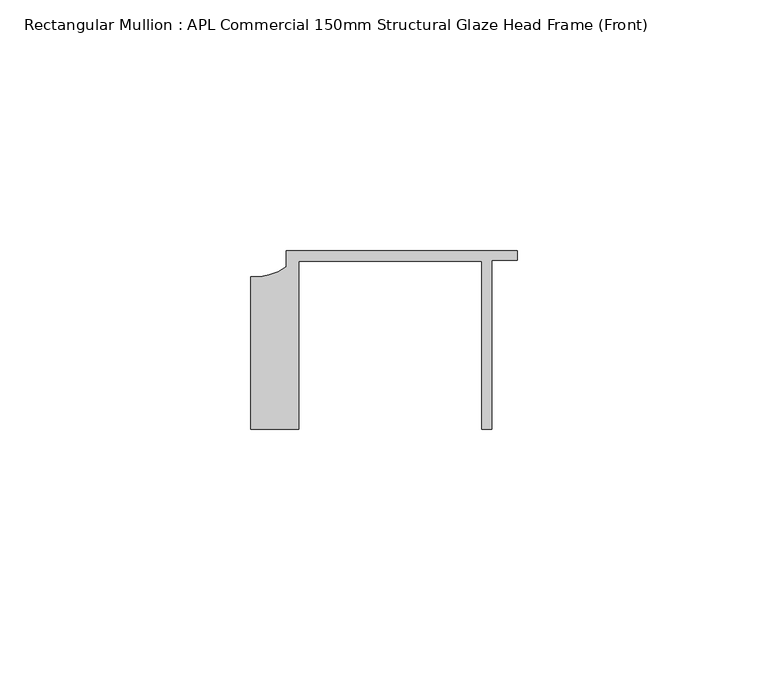
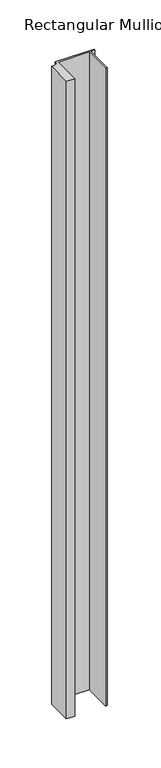
"""IFC4 building model written with IfcOpenShell, lengths in millimetres: member geometry, Rectangular Mullion : APL Commercial 150mm Structural Glaze Head Frame (Front)."""

from ifc_helpers import new_model, si_unit, point, frame, frame_2d, origin, place, context, project, spatial, polyline, circle_curve, trimmed, segment, composite_curve, outline, extrude, source, transform, mapped, element, save


def rectangular_mullion_apl_commercial_150mm_structural_glaze_b4d50108(model_context):
    return source(origin(), model_context, "Body", "SweptSolid", [
        extrude(outline(composite_curve([segment(polyline([(-52.9999542, -15.0), (-52.9999542, 15.3798304)]), True, "CONTINUOUS"), segment(trimmed(circle_curve(frame_2d((-52.109817, 25.7982641)), 10.4563907), [point((-52.9999542, 15.3798304))], [point((-45.9999994, 17.3126154))], True, "CARTESIAN"), True, "CONTINUOUS"), segment(polyline([(-45.9999994, 17.3126154), (-45.9999994, 20.5002486), (0.0, 20.5002486), (0.0, 18.7002486), (-5.0, 18.7002486), (-5.0, -15.0), (-7.0, -15.0), (-7.0, 18.5002486), (-43.5000151, 18.5002486), (-43.5000151, -15.0), (-52.9999542, -15.0)]), True, "CONTINUOUS")], self_intersect=False)), frame((0.0, 0.0, -793.4600666), z_axis=(0.0, 0.0, 1.0), x_axis=(1.0, 0.0, 0.0)), (0.0, 0.0, 1.0), 793.4600666),
    ])


if __name__ == "__main__":
    model = new_model("IFC4")
    model_context = context("Model", 3, world=origin())
    ifc_project = project(units=[si_unit("LENGTHUNIT", "METRE", prefix="MILLI")], contexts=[model_context])
    site = spatial("IfcSite", under=ifc_project)
    building = spatial("IfcBuilding", under=site)
    placement = place(None, origin())
    rectangular_mullion_apl_commercial_150mm_structural_glaze_shape = rectangular_mullion_apl_commercial_150mm_structural_glaze_b4d50108(model_context)
    element("IfcMember", 1, ObjectType="Rectangular Mullion : APL Commercial 150mm Structural Glaze Head Frame (Front)", at=placement, inside=building, context=model_context, shape_type="MappedRepresentation", body=[
        mapped(rectangular_mullion_apl_commercial_150mm_structural_glaze_shape, transform((0.0, 0.0, 0.0), x_axis=(1.0, 0.0, 0.0), y_axis=(0.0, 1.0, 0.0), z_axis=(0.0, 0.0, 1.0))),
    ])
    save(model, "model.ifc")
